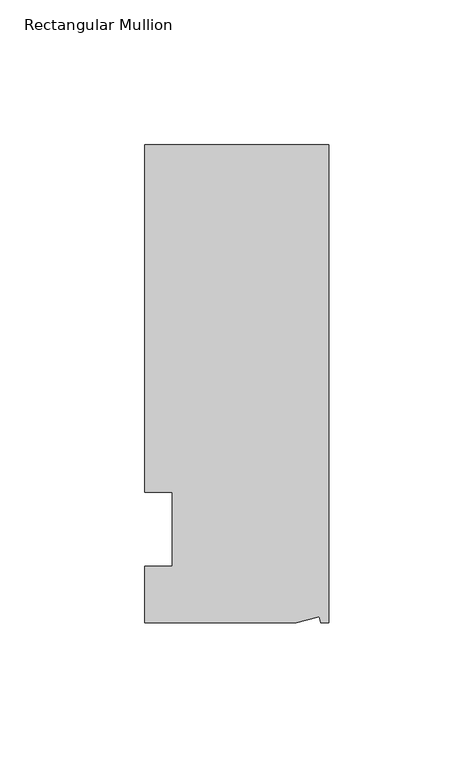
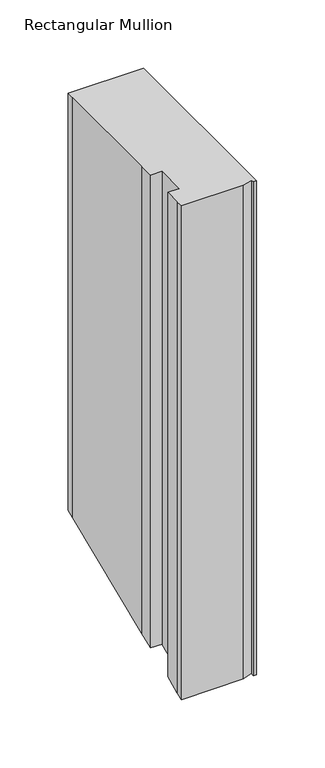
"""IFC4 building model written with IfcOpenShell, lengths in millimetres: member geometry, Rectangular Mullion."""

import ifcopenshell
import ifcopenshell.guid

model = None  # the IFC model being written
_history = None  # IfcOwnerHistory: only IFC2X3 demands one
_inside = {}  # id of a spatial element -> (the spatial element, [elements in it])
_under = {}  # id of a project, library or spatial element -> (it, [spatial elements below it])
_declared = {}  # id of a project -> (the project, [libraries it declares])
_typed = {}  # id of a type object -> (the type object, [elements of that type])
_made_of = {}  # id of a material, layer set ... -> (it, [elements and type objects made of it])


def new_model(schema):
    """Start an empty IFC model of exactly this schema.

    Asked for "IFC4X3", IfcOpenShell would pick the latest addendum, in which some entities
    have other attributes; the version numbers below select the first issue.
    IFC2X3 requires an IfcOwnerHistory on every rooted entity: one is made here for all.
    """
    global model, _history
    if schema == "IFC4X3":
        model = ifcopenshell.file(schema_version=(4, 3, 0, 0))
    else:
        model = ifcopenshell.file(schema=schema)
    _inside.clear()
    _under.clear()
    _declared.clear()
    _typed.clear()
    _made_of.clear()
    _history = None
    if model.schema == "IFC2X3":
        org = make("IfcOrganization", Name="unknown")
        user = make(
            "IfcPersonAndOrganization",
            ThePerson=make("IfcPerson", FamilyName="unknown"),
            TheOrganization=org,
        )
        app = make(
            "IfcApplication",
            ApplicationDeveloper=org,
            Version="unknown",
            ApplicationFullName="unknown",
            ApplicationIdentifier="unknown",
        )
        _history = make(
            "IfcOwnerHistory",
            OwningUser=user,
            OwningApplication=app,
            ChangeAction="ADDED",
            CreationDate=0,
        )
    return model


def make(cls, **values):
    """One entity of the class cls with the attributes given. An attribute that is None is left unset."""
    return model.create_entity(
        cls, **{name: value for name, value in values.items() if value is not None}
    )


def rooted(cls, **values):
    """An entity with a GlobalId (a new one), such as an element, a storey or a relation."""
    return make(cls, GlobalId=ifcopenshell.guid.new(), OwnerHistory=_history, **values)


def si_unit(unit_type, name, prefix=None):
    """IfcSIUnit, for example si_unit("LENGTHUNIT", "METRE", prefix="MILLI")."""
    return make("IfcSIUnit", UnitType=unit_type, Prefix=prefix, Name=name)


def assignment(units):
    """IfcUnitAssignment: the units of a project."""
    return None if units is None else make("IfcUnitAssignment", Units=units)


def point(xyz):
    """IfcCartesianPoint."""
    return None if xyz is None else make("IfcCartesianPoint", Coordinates=xyz)


def direction(xyz):
    """IfcDirection."""
    return None if xyz is None else make("IfcDirection", DirectionRatios=xyz)


def frame(location, z_axis=None, x_axis=None):
    """IfcAxis2Placement3D, a coordinate frame: its origin and axes. An axis left out is left unset."""
    return make(
        "IfcAxis2Placement3D",
        Location=point(location),
        Axis=direction(z_axis),
        RefDirection=direction(x_axis),
    )


def origin():
    """The frame at (0, 0, 0) with its axes left unset."""
    return frame((0.0, 0.0, 0.0))


def place(relative_to, where):
    """IfcLocalPlacement: puts the frame where relative to a parent placement (None: the world)."""
    return make(
        "IfcLocalPlacement", PlacementRelTo=relative_to, RelativePlacement=where
    )


def context(
    kind, dimensions, precision=None, world=None, true_north=None, identifier=None
):
    """IfcGeometricRepresentationContext, for example the 3D "Model" context."""
    return make(
        "IfcGeometricRepresentationContext",
        ContextIdentifier=identifier,
        ContextType=kind,
        CoordinateSpaceDimension=dimensions,
        Precision=precision,
        WorldCoordinateSystem=world,
        TrueNorth=true_north,
    )


def project(units=None, contexts=None):
    """IfcProject with its units and contexts."""
    return rooted(
        "IfcProject",
        Name="project",
        RepresentationContexts=contexts,
        UnitsInContext=assignment(units),
    )


def spatial(cls, under=None, at=None, **own):
    """A site, building, storey or space (cls), placed at a placement, below another one or the project."""
    s = rooted(cls, ObjectPlacement=at, **own)
    if under is not None:
        _under.setdefault(under.id(), (under, []))[1].append(s)
    return s


def faces_of(points, faces, orient=None, outer=None):
    """IfcFace entities. A face is a list of loops; a loop is a list of indices into points, from 0.

    orient and outer hold one flag for each loop. By default every Orientation is true, the
    first loop of a face is its IfcFaceOuterBound and the others are IfcFaceBound.
    """
    made = []
    for i, loops in enumerate(faces):
        bounds = []
        for j, loop in enumerate(loops):
            is_outer = j == 0 if outer is None else outer[i][j]
            bounds.append(
                make(
                    "IfcFaceOuterBound" if is_outer else "IfcFaceBound",
                    Bound=make("IfcPolyLoop", Polygon=[points[k] for k in loop]),
                    Orientation=True if orient is None else orient[i][j],
                )
            )
        made.append(make("IfcFace", Bounds=bounds))
    return made


def faceted_brep(points, faces, orient=None, outer=None, voids=None):
    """IfcFacetedBrep: a solid bounded by flat faces; with voids (closed shells), ...WithVoids."""
    shared = [point(p) for p in points]
    hull = make("IfcClosedShell", CfsFaces=faces_of(shared, faces, orient, outer))
    if voids is None:
        return make("IfcFacetedBrep", Outer=hull)
    return make(
        "IfcFacetedBrepWithVoids",
        Outer=hull,
        Voids=[
            make(cls, CfsFaces=faces_of(shared, fs, o, b)) for cls, fs, o, b in voids
        ],
    )


def shape(context_of_items, identifier, shape_type, items):
    """IfcShapeRepresentation: the items that make up one representation, for example the "Body"."""
    return make(
        "IfcShapeRepresentation",
        ContextOfItems=context_of_items,
        RepresentationIdentifier=identifier,
        RepresentationType=shape_type,
        Items=items,
    )


def source(mapping_origin, context_of_items, identifier, shape_type, items):
    """IfcRepresentationMap: a shape defined once, which mapped items show again and again."""
    return make(
        "IfcRepresentationMap",
        MappingOrigin=mapping_origin,
        MappedRepresentation=shape(context_of_items, identifier, shape_type, items),
    )


def transform(
    local_origin,
    x_axis=None,
    y_axis=None,
    z_axis=None,
    scale=None,
    scale2=None,
    scale3=None,
    uniform=True,
):
    """IfcCartesianTransformationOperator3D, or its non-uniform kind. x_axis, y_axis, z_axis: its Axis1, 2, 3."""
    if uniform:
        return make(
            "IfcCartesianTransformationOperator3D",
            Axis1=direction(x_axis),
            Axis2=direction(y_axis),
            LocalOrigin=point(local_origin),
            Scale=scale,
            Axis3=direction(z_axis),
        )
    return make(
        "IfcCartesianTransformationOperator3DnonUniform",
        Axis1=direction(x_axis),
        Axis2=direction(y_axis),
        LocalOrigin=point(local_origin),
        Scale=scale,
        Axis3=direction(z_axis),
        Scale2=scale2,
        Scale3=scale3,
    )


def mapped(mapping_source, mapping_target):
    """IfcMappedItem: shows the shape of a source again, moved by a transform."""
    return make(
        "IfcMappedItem", MappingSource=mapping_source, MappingTarget=mapping_target
    )


def made_of(thing, what):
    """Note that an element or type object is made of a material, layer set ...; save() writes the relation."""
    if what is not None:
        _made_of.setdefault(what.id(), (what, []))[1].append(thing)
    return thing


def element(
    cls,
    number,
    at=None,
    inside=None,
    cuts=None,
    type_object=None,
    material=None,
    context=None,
    identifier="Body",
    shape_type=None,
    held_by="IfcProductDefinitionShape",
    body=None,
    shapes=None,
    **own,
):
    """One element of the class cls, such as IfcWall. Its Tag is "e" and its number.

    at: its placement. inside: the storey or other place that contains it. cuts: it is an
    opening in that element (IfcRelVoidsElement). A single representation is given by context,
    identifier, shape_type and body (its items); several are given by shapes. held_by: the class
    of the entity that holds the representations. save() writes the other relations.
    """
    e = rooted(cls, Tag="e%d" % number, ObjectPlacement=at, **own)
    if body is not None:
        shapes = [shape(context, identifier, shape_type, body)]
    if shapes is not None:
        e.Representation = make(held_by, Representations=shapes)
    if inside is not None:
        _inside.setdefault(inside.id(), (inside, []))[1].append(e)
    if cuts is not None:
        rooted(
            "IfcRelVoidsElement", RelatingBuildingElement=cuts, RelatedOpeningElement=e
        )
    if type_object is not None:
        _typed.setdefault(type_object.id(), (type_object, []))[1].append(e)
    return made_of(e, material)


def aggregate(whole, parts):
    """IfcRelAggregates: a whole, such as a stair, and the parts it consists of."""
    return rooted("IfcRelAggregates", RelatingObject=whole, RelatedObjects=parts)


def save(model, path):
    """Write the relations noted so far, then the file.

    IfcRelAggregates (storeys below a building ...), IfcRelContainedInSpatialStructure (elements
    in a storey), IfcRelDefinesByType, IfcRelAssociatesMaterial and IfcRelDeclares: one each for
    every whole, place, type object, material and project.
    """
    for whole, parts in _under.values():
        aggregate(whole, parts)
    for where, things in _inside.values():
        rooted(
            "IfcRelContainedInSpatialStructure",
            RelatedElements=things,
            RelatingStructure=where,
        )
    for kind, things in _typed.values():
        rooted("IfcRelDefinesByType", RelatedObjects=things, RelatingType=kind)
    for what, things in _made_of.values():
        rooted("IfcRelAssociatesMaterial", RelatedObjects=things, RelatingMaterial=what)
    for by, libraries in _declared.values():
        rooted("IfcRelDeclares", RelatingContext=by, RelatedDefinitions=libraries)
    model.write(path)


def rectangular_mullion_bb2eb709(model_context):
    return source(origin(), model_context, "Body", "Brep", [
        faceted_brep([(-3.3457217, -17.5748952, 0.0), (-11.1265412, -19.6597595, 0.0), (-11.1265412, -19.6597595, -439.943339), (-3.3457217, -17.5748952, -439.0797599), (-2.787084, -19.6597595, 0.0), (-2.787084, -19.6597595, -439.943339), (0.0, -19.6597595, 0.0), (0.0, -19.6597595, -439.943339), (0.0, 145.4402405, 0.0), (0.0, 145.4402405, -371.5566799), (-63.5, 145.4402405, 0.0), (-63.5, 145.4402405, -371.5566799), (-63.5, 38.3358837, 0.0), (-63.5, 139.091245, 0.0), (-63.5, 139.091245, -374.1865199), (-63.5, 38.3358837, -415.9207571), (-53.975, 25.4, 0.0), (-63.5, 25.4, 0.0), (-63.5, 25.4, -421.2789755), (-53.975, 25.4, -421.2789755), (-53.975, 0.0, 0.0), (-53.975, 0.0, -431.8), (-63.5, 0.0, 0.0), (-63.5, 0.0, -431.8), (-63.5, -13.6200033, 0.0), (-63.5, -13.6200033, -437.4415901), (-63.5, -19.6597595, 0.0), (-63.5, -19.6597595, -439.943339)], [[[0, 1, 2, 3]], [[4, 0, 3, 5]], [[6, 4, 5, 7]], [[8, 6, 7, 9]], [[10, 8, 9, 11]], [[12, 13, 14, 15]], [[16, 17, 18, 19]], [[20, 16, 19, 21]], [[22, 20, 21, 23]], [[24, 22, 23, 25]], [[1, 26, 27, 2]], [[1, 0, 4, 6, 8, 10, 13, 12, 17, 16, 20, 22, 24, 26]], [[2, 27, 25, 23, 21, 19, 18, 15, 14, 11, 9, 7, 5, 3]], [[13, 10, 11, 14]], [[17, 12, 15, 18]], [[26, 24, 25, 27]]]),
    ])


if __name__ == "__main__":
    model = new_model("IFC4")
    model_context = context("Model", 3, world=origin())
    ifc_project = project(units=[si_unit("LENGTHUNIT", "METRE", prefix="MILLI")], contexts=[model_context])
    site = spatial("IfcSite", under=ifc_project)
    building = spatial("IfcBuilding", under=site)
    placement = place(None, origin())
    rectangular_mullion_shape = rectangular_mullion_bb2eb709(model_context)
    element("IfcMember", 1, ObjectType="Rectangular Mullion", at=placement, inside=building, context=model_context, shape_type="MappedRepresentation", body=[
        mapped(rectangular_mullion_shape, transform((0.0, 0.0, 0.0), x_axis=(1.0, 0.0, 0.0), y_axis=(0.0, 1.0, 0.0), z_axis=(0.0, 0.0, 1.0))),
    ])
    save(model, "model.ifc")
